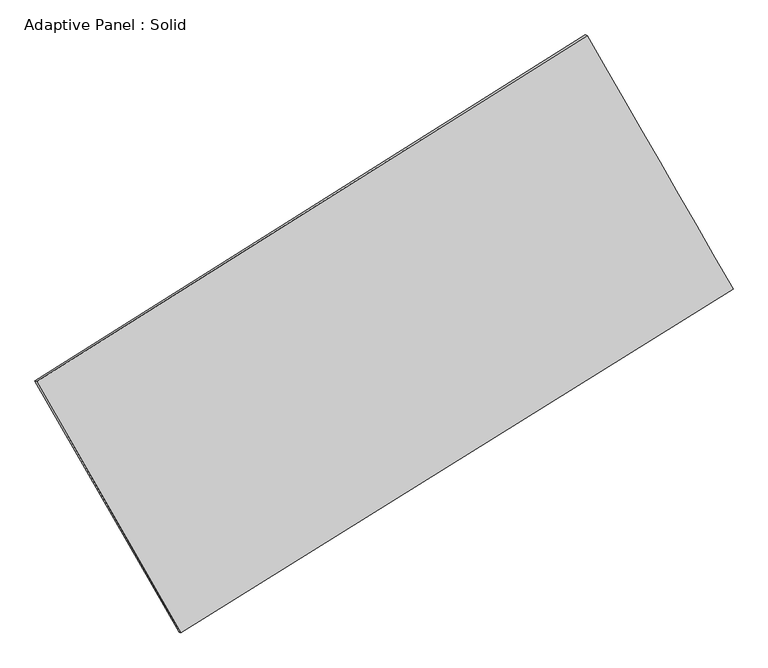
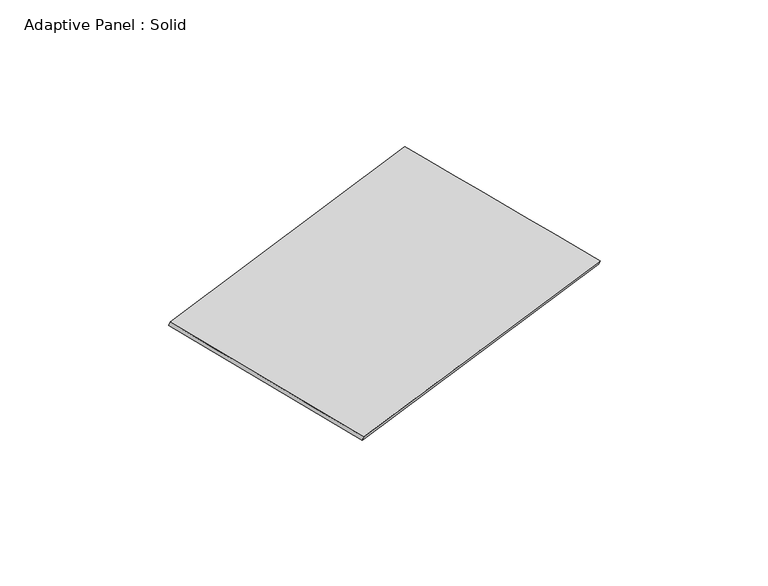
"""IFC4 building model written with IfcOpenShell, lengths in millimetres: plate geometry, Adaptive Panel : Solid."""

import ifcopenshell
import ifcopenshell.guid

model = None  # the IFC model being written
_history = None  # IfcOwnerHistory: only IFC2X3 demands one
_inside = {}  # id of a spatial element -> (the spatial element, [elements in it])
_under = {}  # id of a project, library or spatial element -> (it, [spatial elements below it])
_declared = {}  # id of a project -> (the project, [libraries it declares])
_typed = {}  # id of a type object -> (the type object, [elements of that type])
_made_of = {}  # id of a material, layer set ... -> (it, [elements and type objects made of it])


def new_model(schema):
    """Start an empty IFC model of exactly this schema.

    Asked for "IFC4X3", IfcOpenShell would pick the latest addendum, in which some entities
    have other attributes; the version numbers below select the first issue.
    IFC2X3 requires an IfcOwnerHistory on every rooted entity: one is made here for all.
    """
    global model, _history
    if schema == "IFC4X3":
        model = ifcopenshell.file(schema_version=(4, 3, 0, 0))
    else:
        model = ifcopenshell.file(schema=schema)
    _inside.clear()
    _under.clear()
    _declared.clear()
    _typed.clear()
    _made_of.clear()
    _history = None
    if model.schema == "IFC2X3":
        org = make("IfcOrganization", Name="unknown")
        user = make(
            "IfcPersonAndOrganization",
            ThePerson=make("IfcPerson", FamilyName="unknown"),
            TheOrganization=org,
        )
        app = make(
            "IfcApplication",
            ApplicationDeveloper=org,
            Version="unknown",
            ApplicationFullName="unknown",
            ApplicationIdentifier="unknown",
        )
        _history = make(
            "IfcOwnerHistory",
            OwningUser=user,
            OwningApplication=app,
            ChangeAction="ADDED",
            CreationDate=0,
        )
    return model


def make(cls, **values):
    """One entity of the class cls with the attributes given. An attribute that is None is left unset."""
    return model.create_entity(
        cls, **{name: value for name, value in values.items() if value is not None}
    )


def rooted(cls, **values):
    """An entity with a GlobalId (a new one), such as an element, a storey or a relation."""
    return make(cls, GlobalId=ifcopenshell.guid.new(), OwnerHistory=_history, **values)


def si_unit(unit_type, name, prefix=None):
    """IfcSIUnit, for example si_unit("LENGTHUNIT", "METRE", prefix="MILLI")."""
    return make("IfcSIUnit", UnitType=unit_type, Prefix=prefix, Name=name)


def assignment(units):
    """IfcUnitAssignment: the units of a project."""
    return None if units is None else make("IfcUnitAssignment", Units=units)


def point(xyz):
    """IfcCartesianPoint."""
    return None if xyz is None else make("IfcCartesianPoint", Coordinates=xyz)


def direction(xyz):
    """IfcDirection."""
    return None if xyz is None else make("IfcDirection", DirectionRatios=xyz)


def frame(location, z_axis=None, x_axis=None):
    """IfcAxis2Placement3D, a coordinate frame: its origin and axes. An axis left out is left unset."""
    return make(
        "IfcAxis2Placement3D",
        Location=point(location),
        Axis=direction(z_axis),
        RefDirection=direction(x_axis),
    )


def origin():
    """The frame at (0, 0, 0) with its axes left unset."""
    return frame((0.0, 0.0, 0.0))


def place(relative_to, where):
    """IfcLocalPlacement: puts the frame where relative to a parent placement (None: the world)."""
    return make(
        "IfcLocalPlacement", PlacementRelTo=relative_to, RelativePlacement=where
    )


def context(
    kind, dimensions, precision=None, world=None, true_north=None, identifier=None
):
    """IfcGeometricRepresentationContext, for example the 3D "Model" context."""
    return make(
        "IfcGeometricRepresentationContext",
        ContextIdentifier=identifier,
        ContextType=kind,
        CoordinateSpaceDimension=dimensions,
        Precision=precision,
        WorldCoordinateSystem=world,
        TrueNorth=true_north,
    )


def project(units=None, contexts=None):
    """IfcProject with its units and contexts."""
    return rooted(
        "IfcProject",
        Name="project",
        RepresentationContexts=contexts,
        UnitsInContext=assignment(units),
    )


def spatial(cls, under=None, at=None, **own):
    """A site, building, storey or space (cls), placed at a placement, below another one or the project."""
    s = rooted(cls, ObjectPlacement=at, **own)
    if under is not None:
        _under.setdefault(under.id(), (under, []))[1].append(s)
    return s


def shape(context_of_items, identifier, shape_type, items):
    """IfcShapeRepresentation: the items that make up one representation, for example the "Body"."""
    return make(
        "IfcShapeRepresentation",
        ContextOfItems=context_of_items,
        RepresentationIdentifier=identifier,
        RepresentationType=shape_type,
        Items=items,
    )


def source(mapping_origin, context_of_items, identifier, shape_type, items):
    """IfcRepresentationMap: a shape defined once, which mapped items show again and again."""
    return make(
        "IfcRepresentationMap",
        MappingOrigin=mapping_origin,
        MappedRepresentation=shape(context_of_items, identifier, shape_type, items),
    )


def transform(
    local_origin,
    x_axis=None,
    y_axis=None,
    z_axis=None,
    scale=None,
    scale2=None,
    scale3=None,
    uniform=True,
):
    """IfcCartesianTransformationOperator3D, or its non-uniform kind. x_axis, y_axis, z_axis: its Axis1, 2, 3."""
    if uniform:
        return make(
            "IfcCartesianTransformationOperator3D",
            Axis1=direction(x_axis),
            Axis2=direction(y_axis),
            LocalOrigin=point(local_origin),
            Scale=scale,
            Axis3=direction(z_axis),
        )
    return make(
        "IfcCartesianTransformationOperator3DnonUniform",
        Axis1=direction(x_axis),
        Axis2=direction(y_axis),
        LocalOrigin=point(local_origin),
        Scale=scale,
        Axis3=direction(z_axis),
        Scale2=scale2,
        Scale3=scale3,
    )


def mapped(mapping_source, mapping_target):
    """IfcMappedItem: shows the shape of a source again, moved by a transform."""
    return make(
        "IfcMappedItem", MappingSource=mapping_source, MappingTarget=mapping_target
    )


def made_of(thing, what):
    """Note that an element or type object is made of a material, layer set ...; save() writes the relation."""
    if what is not None:
        _made_of.setdefault(what.id(), (what, []))[1].append(thing)
    return thing


def element(
    cls,
    number,
    at=None,
    inside=None,
    cuts=None,
    type_object=None,
    material=None,
    context=None,
    identifier="Body",
    shape_type=None,
    held_by="IfcProductDefinitionShape",
    body=None,
    shapes=None,
    **own,
):
    """One element of the class cls, such as IfcWall. Its Tag is "e" and its number.

    at: its placement. inside: the storey or other place that contains it. cuts: it is an
    opening in that element (IfcRelVoidsElement). A single representation is given by context,
    identifier, shape_type and body (its items); several are given by shapes. held_by: the class
    of the entity that holds the representations. save() writes the other relations.
    """
    e = rooted(cls, Tag="e%d" % number, ObjectPlacement=at, **own)
    if body is not None:
        shapes = [shape(context, identifier, shape_type, body)]
    if shapes is not None:
        e.Representation = make(held_by, Representations=shapes)
    if inside is not None:
        _inside.setdefault(inside.id(), (inside, []))[1].append(e)
    if cuts is not None:
        rooted(
            "IfcRelVoidsElement", RelatingBuildingElement=cuts, RelatedOpeningElement=e
        )
    if type_object is not None:
        _typed.setdefault(type_object.id(), (type_object, []))[1].append(e)
    return made_of(e, material)


def aggregate(whole, parts):
    """IfcRelAggregates: a whole, such as a stair, and the parts it consists of."""
    return rooted("IfcRelAggregates", RelatingObject=whole, RelatedObjects=parts)


def save(model, path):
    """Write the relations noted so far, then the file.

    IfcRelAggregates (storeys below a building ...), IfcRelContainedInSpatialStructure (elements
    in a storey), IfcRelDefinesByType, IfcRelAssociatesMaterial and IfcRelDeclares: one each for
    every whole, place, type object, material and project.
    """
    for whole, parts in _under.values():
        aggregate(whole, parts)
    for where, things in _inside.values():
        rooted(
            "IfcRelContainedInSpatialStructure",
            RelatedElements=things,
            RelatingStructure=where,
        )
    for kind, things in _typed.values():
        rooted("IfcRelDefinesByType", RelatedObjects=things, RelatingType=kind)
    for what, things in _made_of.values():
        rooted("IfcRelAssociatesMaterial", RelatedObjects=things, RelatingMaterial=what)
    for by, libraries in _declared.values():
        rooted("IfcRelDeclares", RelatingContext=by, RelatedDefinitions=libraries)
    model.write(path)


def plane_surface(at):
    """IfcPlane: the flat surface through the origin of the frame at, square to its z axis."""
    return make("IfcPlane", Position=at)


def spline_surface(u_degree, v_degree, points, u_multiplicities, v_multiplicities, u_knots, v_knots, weights=None):
    """IfcBSplineSurfaceWithKnots; with weights, IfcRationalBSplineSurfaceWithKnots. points: one row for each step in u."""
    own = dict(
        UDegree=u_degree,
        VDegree=v_degree,
        ControlPointsList=[[point(p) for p in row] for row in points],
        SurfaceForm="UNSPECIFIED",
        UClosed=False,
        VClosed=False,
        SelfIntersect=False,
        UMultiplicities=u_multiplicities,
        VMultiplicities=v_multiplicities,
        UKnots=u_knots,
        VKnots=v_knots,
        KnotSpec="UNSPECIFIED",
    )
    if weights is None:
        return make("IfcBSplineSurfaceWithKnots", **own)
    return make("IfcRationalBSplineSurfaceWithKnots", WeightsData=weights, **own)


def advanced_brep(points, edges, surfaces, faces):
    """IfcAdvancedBrep: a solid bounded by faces that lie on surfaces and meet in shared edges.

    An edge is (start, end): straight between two places in points (the first is 0);
    or (start, end, curve); or (start, end, curve, False) where it runs against its curve.
    A face is (place in surfaces, loops), or (place, loops, False) where it looks against
    its surface's normal. A loop lists edges by number (the first is 1), with a minus sign
    where the edge is run from its end to its start. The first loop is the outer one.
    """
    corners = [point(p) for p in points]
    vertices = [make("IfcVertexPoint", VertexGeometry=c) for c in corners]
    made = []
    for start, end, *more in edges:
        made.append(
            make(
                "IfcEdgeCurve",
                EdgeStart=vertices[start],
                EdgeEnd=vertices[end],
                EdgeGeometry=more[0] if more else make("IfcPolyline", Points=[corners[start], corners[end]]),
                SameSense=more[1] if len(more) > 1 else True,
            )
        )
    hull = []
    for where, loops, *sense in faces:
        bounds = []
        for j, loop in enumerate(loops):
            ring = [make("IfcOrientedEdge", EdgeElement=made[abs(k) - 1], Orientation=k > 0) for k in loop]
            bounds.append(
                make(
                    "IfcFaceOuterBound" if j == 0 else "IfcFaceBound",
                    Bound=make("IfcEdgeLoop", EdgeList=ring),
                    Orientation=True,
                )
            )
        hull.append(make("IfcAdvancedFace", Bounds=bounds, FaceSurface=surfaces[where], SameSense=sense[0] if sense else True))
    return make("IfcAdvancedBrep", Outer=make("IfcClosedShell", CfsFaces=hull))


def adaptive_panel_solid_56794188(model_context):
    return source(origin(), model_context, "Body", "AdvancedBrep", [
        advanced_brep(
        [(1150.4878421, 2560.8252308, 667.0191537), (-3741.748914, -516.9362536, 1777.0552871), (-3727.0825582, -523.316347, 1824.4281952), (1165.1541979, 2554.4451373, 714.3920617), (-2460.1151111, -2751.7302514, 1069.3184882), (-2445.4487553, -2758.1103448, 1116.6913962), (2448.0856049, 307.5927013, -28.2704087), (2462.7519607, 301.2126078, 19.1024993)],
        [
            (0, 1),
            (1, 2),
            (2, 3),
            (3, 0),
            (1, 4),
            (4, 5),
            (5, 2),
            (4, 6),
            (6, 7),
            (7, 5),
            (6, 0),
            (3, 7),
        ],
        [
            plane_surface(frame((-1295.630536, 1021.9444886, 1222.0372204), z_axis=(-0.4713999603038478, 0.8428890639033993, 0.25946117894124787), x_axis=(-0.831239542654687, -0.5229421992890106, 0.1886061476463576))),
            plane_surface(frame((-3100.9320126, -1634.3332525, 1423.1868877), z_axis=(-0.8263379499612081, -0.532216050919246, 0.18415120851580274), x_axis=(0.47971395254783233, -0.8364806385382049, -0.26490501143174566))),
            plane_surface(frame((-6.0147531, -1222.0687751, 520.5240397), z_axis=(0.4685945726677051, -0.8446458126777756, -0.2588292440824083), x_axis=(0.8337616508790996, 0.5196906775328507, -0.1864486771441547))),
            plane_surface(frame((1799.2867235, 1434.208966, 319.3743725), z_axis=(0.82614387135846, 0.5325537585863571, -0.18404564116653327), x_axis=(-0.48210711664489664, 0.8371619226282083, 0.2583266215119645))),
            spline_surface(1, 1, [[(-3727.0825582, -523.316347, 1824.4281952), (1165.1541979, 2554.4451373, 714.3920617)], [(-2445.4487553, -2758.1103448, 1116.6913962), (2462.7519607, 301.2126078, 19.1024993)]], [2, 2], [2, 2], [0.0, 1.0], [0.0, 1.0]),
            spline_surface(1, 1, [[(2448.0856049, 307.5927013, -28.2704087), (1150.4878421, 2560.8252308, 667.0191537)], [(-2460.1151111, -2751.7302514, 1069.3184882), (-3741.748914, -516.9362536, 1777.0552871)]], [2, 2], [2, 2], [0.0, 1.0], [0.0, 1.0]),
        ],
        [
            (0, [[1, 2, 3, 4]]),
            (1, [[5, 6, 7, -2]]),
            (2, [[8, 9, 10, -6]]),
            (3, [[11, -4, 12, -9]]),
            (4, [[-3, -7, -10, -12]]),
            (5, [[-11, -8, -5, -1]]),
        ],
    ),
    ])


if __name__ == "__main__":
    model = new_model("IFC4")
    model_context = context("Model", 3, world=origin())
    ifc_project = project(units=[si_unit("LENGTHUNIT", "METRE", prefix="MILLI")], contexts=[model_context])
    site = spatial("IfcSite", under=ifc_project)
    building = spatial("IfcBuilding", under=site)
    placement = place(None, origin())
    adaptive_panel_solid_shape = adaptive_panel_solid_56794188(model_context)
    element("IfcPlate", 1, ObjectType="Adaptive Panel : Solid", at=placement, inside=building, context=model_context, shape_type="MappedRepresentation", body=[
        mapped(adaptive_panel_solid_shape, transform((0.0, 0.0, 0.0), x_axis=(1.0, 0.0, 0.0), y_axis=(0.0, 1.0, 0.0), z_axis=(0.0, 0.0, 1.0))),
    ])
    save(model, "model.ifc")
